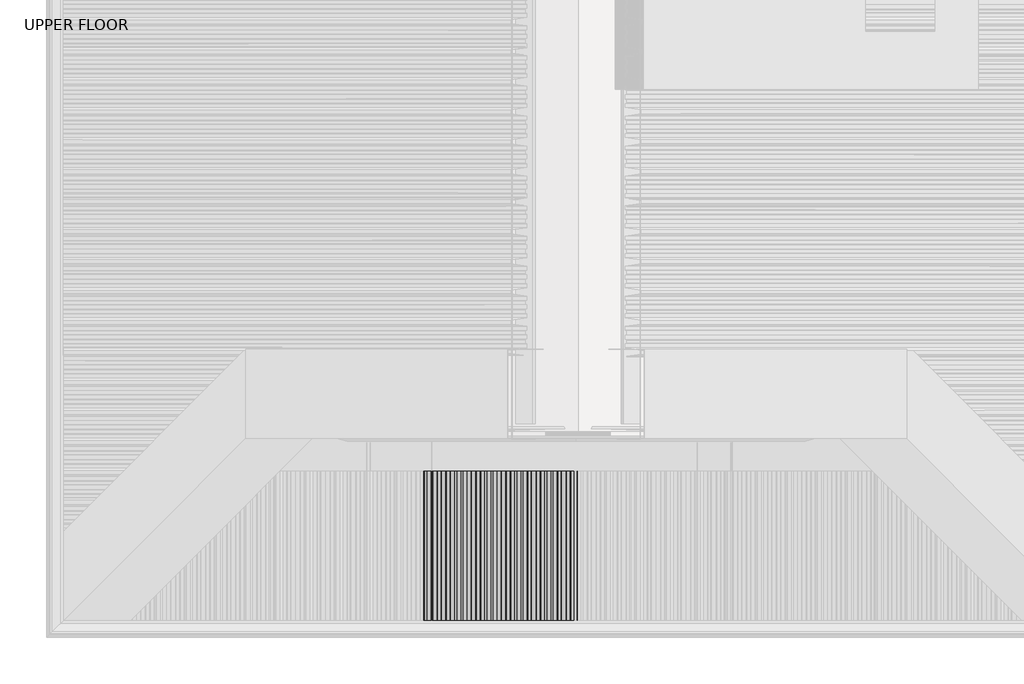
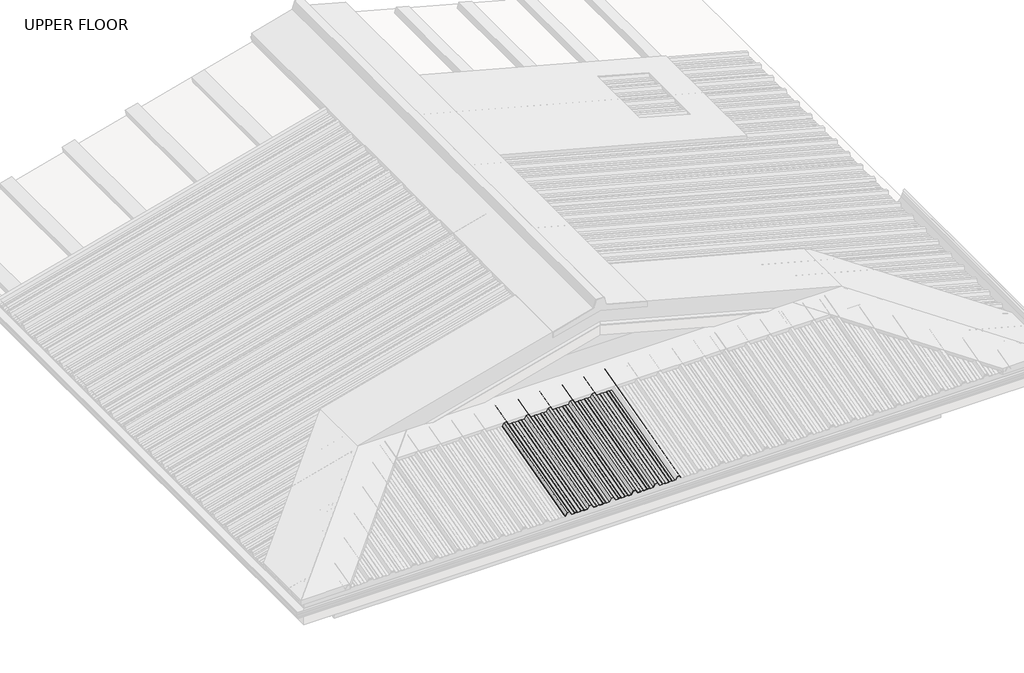
# One storey, part 6 of 21: 1 beam.
"""IFC4 building model written with IfcOpenShell, lengths in millimetres."""

from ifc_helpers import new_model, si_unit, frame, origin, place, context, project, spatial, circle_curve, ellipse_curve, element, save
from ifc_brep_helpers import plane_surface, cylinder_surface, advanced_brep

model = new_model("IFC4")

# Units and contexts
model_context = context("Model", 3, world=origin())
ifc_project = project(units=[si_unit("LENGTHUNIT", "METRE", prefix="MILLI")], contexts=[model_context])

# Site, building, storey
site = spatial("IfcSite", under=ifc_project)
building = spatial("IfcBuilding", under=site)
storey = spatial("IfcBuildingStorey", under=building, Name="UPPER FLOOR", Elevation=2700.0)

# Beam
placement = place(None, origin())
element("IfcBeam", 1, at=placement, inside=storey, context=model_context, shape_type="AdvancedBrep", body=[
    advanced_brep(
    [(1972.6640548, -3759.2956776, 3511.9124823), (1968.5374528, -3759.8133157, 3513.844334), (1950.9306177, -3759.8133157, 3513.844334), (1947.6664536, -3759.2956776, 3511.9124823), (1925.3794454, -3759.2956776, 3511.9124823), (1922.3379869, -3759.8133157, 3513.844334), (1906.6721831, -3759.8133157, 3513.844334), (1903.6285412, -3759.2956776, 3511.9124823), (1883.3061027, -3759.2956776, 3511.9124823), (1871.3207469, -3764.7308776, 3532.1969247), (1852.3195276, -3764.7308776, 3532.1969247), (1840.3061027, -3759.2956776, 3511.9124823), (1820.6640548, -3759.2956776, 3511.9124823), (1816.5374528, -3759.8133157, 3513.844334), (1798.9306177, -3759.8133157, 3513.844334), (1795.6664536, -3759.2956776, 3511.9124823), (1773.3794454, -3759.2956776, 3511.9124823), (1770.3379869, -3759.8133157, 3513.844334), (1754.6721831, -3759.8133157, 3513.844334), (1751.6285412, -3759.2956776, 3511.9124823), (1731.3061027, -3759.2956776, 3511.9124823), (1719.3207469, -3764.7308776, 3532.1969247), (1700.3195276, -3764.7308776, 3532.1969247), (1688.3061027, -3759.2956776, 3511.9124823), (1668.6640548, -3759.2956776, 3511.9124823), (1664.5374528, -3759.8133157, 3513.844334), (1646.9306177, -3759.8133157, 3513.844334), (1643.6664536, -3759.2956776, 3511.9124823), (1621.3794454, -3759.2956776, 3511.9124823), (1618.3379869, -3759.8133157, 3513.844334), (1602.6721831, -3759.8133157, 3513.844334), (1599.6285412, -3759.2956776, 3511.9124823), (1579.3061027, -3759.2956776, 3511.9124823), (1567.3207469, -3764.7308776, 3532.1969247), (1548.3195276, -3764.7308776, 3532.1969247), (1536.3061027, -3759.2956776, 3511.9124823), (1516.6640548, -3759.2956776, 3511.9124823), (1512.5374528, -3759.8133157, 3513.844334), (1494.9306177, -3759.8133157, 3513.844334), (1491.6664536, -3759.2956776, 3511.9124823), (1469.3794454, -3759.2956776, 3511.9124823), (1466.3379869, -3759.8133157, 3513.844334), (1450.6721831, -3759.8133157, 3513.844334), (1447.6285412, -3759.2956776, 3511.9124823), (1427.3061027, -3759.2956776, 3511.9124823), (1415.3207469, -3764.7308776, 3532.1969247), (1396.3195276, -3764.7308776, 3532.1969247), (1384.3061027, -3759.2956776, 3511.9124823), (1364.6640548, -3759.2956776, 3511.9124823), (1360.5374528, -3759.8133157, 3513.844334), (1342.9306177, -3759.8133157, 3513.844334), (1339.6664536, -3759.2956776, 3511.9124823), (1317.3794454, -3759.2956776, 3511.9124823), (1314.3379869, -3759.8133157, 3513.844334), (1298.6721831, -3759.8133157, 3513.844334), (1295.6285412, -3759.2956776, 3511.9124823), (1275.3061027, -3759.2956776, 3511.9124823), (1263.3207469, -3764.7308776, 3532.1969247), (1244.3195276, -3764.7308776, 3532.1969247), (1233.4502384, -3759.8133157, 3513.844334), (1230.0147087, -3759.8133157, 3513.844334), (1230.0147087, -3760.0721348, 3514.8102598), (1232.9508481, -3760.0721348, 3514.8102598), (1243.8201372, -3764.9896966, 3533.1628505), (1263.8201372, -3764.9896966, 3533.1628505), (1275.8054931, -3759.5544967, 3512.8784082), (1295.3293902, -3759.5544967, 3512.8784082), (1298.3730321, -3760.0721348, 3514.8102598), (1314.6373174, -3760.0721348, 3514.8102598), (1317.6787759, -3759.5544967, 3512.8784082), (1339.3844584, -3759.5544967, 3512.8784082), (1342.6486224, -3760.0721348, 3514.8102598), (1360.7670127, -3760.0721348, 3514.8102598), (1364.8936147, -3759.5544967, 3512.8784082), (1383.8067123, -3759.5544967, 3512.8784082), (1395.8201372, -3764.9896966, 3533.1628505), (1415.8201372, -3764.9896966, 3533.1628505), (1427.8054931, -3759.5544967, 3512.8784082), (1447.3293902, -3759.5544967, 3512.8784082), (1450.3730321, -3760.0721348, 3514.8102598), (1466.6373174, -3760.0721348, 3514.8102598), (1469.6787759, -3759.5544967, 3512.8784082), (1491.3844584, -3759.5544967, 3512.8784082), (1494.6486224, -3760.0721348, 3514.8102598), (1512.7670127, -3760.0721348, 3514.8102598), (1516.8936147, -3759.5544967, 3512.8784082), (1535.8067123, -3759.5544967, 3512.8784082), (1547.8201372, -3764.9896966, 3533.1628505), (1567.8201372, -3764.9896966, 3533.1628505), (1579.8054931, -3759.5544967, 3512.8784082), (1599.3293902, -3759.5544967, 3512.8784082), (1602.3730321, -3760.0721348, 3514.8102598), (1618.6373174, -3760.0721348, 3514.8102598), (1621.6787759, -3759.5544967, 3512.8784082), (1643.3844584, -3759.5544967, 3512.8784082), (1646.6486224, -3760.0721348, 3514.8102598), (1664.7670127, -3760.0721348, 3514.8102598), (1668.8936147, -3759.5544967, 3512.8784082), (1687.8067123, -3759.5544967, 3512.8784082), (1699.8201372, -3764.9896966, 3533.1628505), (1719.8201372, -3764.9896966, 3533.1628505), (1731.8054931, -3759.5544967, 3512.8784082), (1751.3293902, -3759.5544967, 3512.8784082), (1754.3730321, -3760.0721348, 3514.8102598), (1770.6373174, -3760.0721348, 3514.8102598), (1773.6787759, -3759.5544967, 3512.8784082), (1795.3844584, -3759.5544967, 3512.8784082), (1798.6486224, -3760.0721348, 3514.8102598), (1816.7670127, -3760.0721348, 3514.8102598), (1820.8936147, -3759.5544967, 3512.8784082), (1839.8067123, -3759.5544967, 3512.8784082), (1851.8201372, -3764.9896966, 3533.1628505), (1871.8201372, -3764.9896966, 3533.1628505), (1883.8054931, -3759.5544967, 3512.8784082), (1903.3293902, -3759.5544967, 3512.8784082), (1906.3730321, -3760.0721348, 3514.8102598), (1922.6373174, -3760.0721348, 3514.8102598), (1925.6787759, -3759.5544967, 3512.8784082), (1947.3844584, -3759.5544967, 3512.8784082), (1950.6486224, -3760.0721348, 3514.8102598), (1968.7670127, -3760.0721348, 3514.8102598), (1972.8936147, -3759.5544967, 3512.8784082), (1994.1108492, -3759.5544967, 3512.8784082), (2004.9801384, -3764.4720586, 3531.2309989), (2022.6587891, -3764.4720586, 3531.2309989), (2030.651034, -3760.8476815, 3517.7046396), (2029.8438422, -3760.7284463, 3517.2596477), (2022.1593987, -3764.2132395, 3530.265073), (2005.4795288, -3764.2132395, 3530.265073), (1994.6102396, -3759.2956776, 3511.9124823), (1972.6640548, -4660.4975954, 3270.4361563), (1968.5374528, -4660.4975954, 3272.5067086), (1950.9306177, -4660.4975954, 3272.5067086), (1947.6664536, -4660.4975954, 3270.4361563), (1925.3794454, -4660.4975954, 3270.4361563), (1922.3379869, -4660.4975954, 3272.5067086), (1906.6721831, -4660.4975954, 3272.5067086), (1903.6285412, -4660.4975954, 3270.4361563), (1883.3061027, -4660.4975954, 3270.4361563), (1871.3207469, -4660.4975954, 3292.176956), (1852.3195276, -4660.4975954, 3292.176956), (1840.3061027, -4660.4975954, 3270.4361563), (1820.6640548, -4660.4975954, 3270.4361563), (1816.5374528, -4660.4975954, 3272.5067086), (1798.9306177, -4660.4975954, 3272.5067086), (1795.6664536, -4660.4975954, 3270.4361563), (1773.3794454, -4660.4975954, 3270.4361563), (1770.3379869, -4660.4975954, 3272.5067086), (1754.6721831, -4660.4975954, 3272.5067086), (1751.6285412, -4660.4975954, 3270.4361563), (1731.3061027, -4660.4975954, 3270.4361563), (1719.3207469, -4660.4975954, 3292.176956), (1700.3195276, -4660.4975954, 3292.176956), (1688.3061027, -4660.4975954, 3270.4361563), (1668.6640548, -4660.4975954, 3270.4361563), (1664.5374528, -4660.4975954, 3272.5067086), (1646.9306177, -4660.4975954, 3272.5067086), (1643.6664536, -4660.4975954, 3270.4361563), (1621.3794454, -4660.4975954, 3270.4361563), (1618.3379869, -4660.4975954, 3272.5067086), (1602.6721831, -4660.4975954, 3272.5067086), (1599.6285412, -4660.4975954, 3270.4361563), (1579.3061027, -4660.4975954, 3270.4361563), (1567.3207469, -4660.4975954, 3292.176956), (1548.3195276, -4660.4975954, 3292.176956), (1536.3061027, -4660.4975954, 3270.4361563), (1516.6640548, -4660.4975954, 3270.4361563), (1512.5374528, -4660.4975954, 3272.5067086), (1494.9306177, -4660.4975954, 3272.5067086), (1491.6664536, -4660.4975954, 3270.4361563), (1469.3794454, -4660.4975954, 3270.4361563), (1466.3379869, -4660.4975954, 3272.5067086), (1450.6721831, -4660.4975954, 3272.5067086), (1447.6285412, -4660.4975954, 3270.4361563), (1427.3061027, -4660.4975954, 3270.4361563), (1415.3207469, -4660.4975954, 3292.176956), (1396.3195276, -4660.4975954, 3292.176956), (1384.3061027, -4660.4975954, 3270.4361563), (1364.6640548, -4660.4975954, 3270.4361563), (1360.5374528, -4660.4975954, 3272.5067086), (1342.9306177, -4660.4975954, 3272.5067086), (1339.6664536, -4660.4975954, 3270.4361563), (1317.3794454, -4660.4975954, 3270.4361563), (1314.3379869, -4660.4975954, 3272.5067086), (1298.6721831, -4660.4975954, 3272.5067086), (1295.6285412, -4660.4975954, 3270.4361563), (1275.3061027, -4660.4975954, 3270.4361563), (1263.3207469, -4660.4975954, 3292.176956), (1244.3195276, -4660.4975954, 3292.176956), (1233.4502384, -4660.4975954, 3272.5067086), (1230.0147087, -4660.4975954, 3272.5067086), (1230.0147087, -4660.4975954, 3273.5419848), (1232.9508481, -4660.4975954, 3273.5419848), (1243.8201372, -4660.4975954, 3293.2122322), (1263.8201372, -4660.4975954, 3293.2122322), (1275.8054931, -4660.4975954, 3271.4714324), (1295.3293902, -4660.4975954, 3271.4714324), (1298.3730321, -4660.4975954, 3273.5419848), (1314.6373174, -4660.4975954, 3273.5419848), (1317.6787759, -4660.4975954, 3271.4714324), (1339.3844584, -4660.4975954, 3271.4714324), (1342.6486224, -4660.4975954, 3273.5419848), (1360.7670127, -4660.4975954, 3273.5419848), (1364.8936147, -4660.4975954, 3271.4714324), (1383.8067123, -4660.4975954, 3271.4714324), (1395.8201372, -4660.4975954, 3293.2122322), (1415.8201372, -4660.4975954, 3293.2122322), (1427.8054931, -4660.4975954, 3271.4714324), (1447.3293902, -4660.4975954, 3271.4714324), (1450.3730321, -4660.4975954, 3273.5419848), (1466.6373174, -4660.4975954, 3273.5419848), (1469.6787759, -4660.4975954, 3271.4714324), (1491.3844584, -4660.4975954, 3271.4714324), (1494.6486224, -4660.4975954, 3273.5419848), (1512.7670127, -4660.4975954, 3273.5419848), (1516.8936147, -4660.4975954, 3271.4714324), (1535.8067123, -4660.4975954, 3271.4714324), (1547.8201372, -4660.4975954, 3293.2122322), (1567.8201372, -4660.4975954, 3293.2122322), (1579.8054931, -4660.4975954, 3271.4714324), (1599.3293902, -4660.4975954, 3271.4714324), (1602.3730321, -4660.4975954, 3273.5419848), (1618.6373174, -4660.4975954, 3273.5419848), (1621.6787759, -4660.4975954, 3271.4714324), (1643.3844584, -4660.4975954, 3271.4714324), (1646.6486224, -4660.4975954, 3273.5419848), (1664.7670127, -4660.4975954, 3273.5419848), (1668.8936147, -4660.4975954, 3271.4714324), (1687.8067123, -4660.4975954, 3271.4714324), (1699.8201372, -4660.4975954, 3293.2122322), (1719.8201372, -4660.4975954, 3293.2122322), (1731.8054931, -4660.4975954, 3271.4714324), (1751.3293902, -4660.4975954, 3271.4714324), (1754.3730321, -4660.4975954, 3273.5419848), (1770.6373174, -4660.4975954, 3273.5419848), (1773.6787759, -4660.4975954, 3271.4714324), (1795.3844584, -4660.4975954, 3271.4714324), (1798.6486224, -4660.4975954, 3273.5419848), (1816.7670127, -4660.4975954, 3273.5419848), (1820.8936147, -4660.4975954, 3271.4714324), (1839.8067123, -4660.4975954, 3271.4714324), (1851.8201372, -4660.4975954, 3293.2122322), (1871.8201372, -4660.4975954, 3293.2122322), (1883.8054931, -4660.4975954, 3271.4714324), (1903.3293902, -4660.4975954, 3271.4714324), (1906.3730321, -4660.4975954, 3273.5419848), (1922.6373174, -4660.4975954, 3273.5419848), (1925.6787759, -4660.4975954, 3271.4714324), (1947.3844584, -4660.4975954, 3271.4714324), (1950.6486224, -4660.4975954, 3273.5419848), (1968.7670127, -4660.4975954, 3273.5419848), (1972.8936147, -4660.4975954, 3271.4714324), (1994.1108492, -4660.4975954, 3271.4714324), (2004.9801384, -4660.4975954, 3291.1416799), (2022.6587891, -4660.4975954, 3291.1416799), (2030.651034, -4660.4975954, 3276.6441717), (2029.8438422, -4660.4975954, 3276.1672308), (2022.1593987, -4660.4975954, 3290.1064037), (2005.4795288, -4660.4975954, 3290.1064037), (1994.6102396, -4660.4975954, 3270.4361563)],
    [
        (0, 1),
        (1, 2),
        (2, 3),
        (3, 4),
        (4, 5),
        (5, 6),
        (6, 7),
        (7, 8),
        (8, 9),
        (9, 10),
        (10, 11),
        (11, 12),
        (12, 13),
        (13, 14),
        (14, 15),
        (15, 16),
        (16, 17),
        (17, 18),
        (18, 19),
        (19, 20),
        (20, 21),
        (21, 22),
        (22, 23),
        (23, 24),
        (24, 25),
        (25, 26),
        (26, 27),
        (27, 28),
        (28, 29),
        (29, 30),
        (30, 31),
        (31, 32),
        (32, 33),
        (33, 34),
        (34, 35),
        (35, 36),
        (36, 37),
        (37, 38),
        (38, 39),
        (39, 40),
        (40, 41),
        (41, 42),
        (42, 43),
        (43, 44),
        (44, 45),
        (45, 46),
        (46, 47),
        (47, 48),
        (48, 49),
        (49, 50),
        (50, 51),
        (51, 52),
        (52, 53),
        (53, 54),
        (54, 55),
        (55, 56),
        (56, 57),
        (57, 58),
        (58, 59),
        (59, 60),
        (60, 61, circle_curve(frame((1230.0147087, -3759.9427253, 3514.3272969), z_axis=(0.0, 0.9659258262890683, 0.2588190451025206), x_axis=(-1.0000000000000002, 0.0, 0.0)), 0.5)),
        (61, 62),
        (62, 63),
        (63, 64),
        (64, 65),
        (65, 66),
        (66, 67),
        (67, 68),
        (68, 69),
        (69, 70),
        (70, 71),
        (71, 72),
        (72, 73),
        (73, 74),
        (74, 75),
        (75, 76),
        (76, 77),
        (77, 78),
        (78, 79),
        (79, 80),
        (80, 81),
        (81, 82),
        (82, 83),
        (83, 84),
        (84, 85),
        (85, 86),
        (86, 87),
        (87, 88),
        (88, 89),
        (89, 90),
        (90, 91),
        (91, 92),
        (92, 93),
        (93, 94),
        (94, 95),
        (95, 96),
        (96, 97),
        (97, 98),
        (98, 99),
        (99, 100),
        (100, 101),
        (101, 102),
        (102, 103),
        (103, 104),
        (104, 105),
        (105, 106),
        (106, 107),
        (107, 108),
        (108, 109),
        (109, 110),
        (110, 111),
        (111, 112),
        (112, 113),
        (113, 114),
        (114, 115),
        (115, 116),
        (116, 117),
        (117, 118),
        (118, 119),
        (119, 120),
        (120, 121),
        (121, 122),
        (122, 123),
        (123, 124),
        (124, 125),
        (125, 126, circle_curve(frame((2030.2474381, -3760.7880639, 3517.4821437), z_axis=(0.0, 0.9659258262890683, 0.2588190451025206), x_axis=(-1.0000000000000002, 0.0, 0.0)), 0.4647024)),
        (126, 127),
        (127, 128),
        (128, 129),
        (129, 0),
        (0, 130),
        (130, 131),
        (131, 1),
        (131, 132),
        (132, 2),
        (132, 133),
        (133, 3),
        (133, 134),
        (134, 4),
        (134, 135),
        (135, 5),
        (135, 136),
        (136, 6),
        (136, 137),
        (137, 7),
        (137, 138),
        (138, 8),
        (138, 139),
        (139, 9),
        (139, 140),
        (140, 10),
        (140, 141),
        (141, 11),
        (141, 142),
        (142, 12),
        (142, 143),
        (143, 13),
        (143, 144),
        (144, 14),
        (144, 145),
        (145, 15),
        (145, 146),
        (146, 16),
        (146, 147),
        (147, 17),
        (147, 148),
        (148, 18),
        (148, 149),
        (149, 19),
        (149, 150),
        (150, 20),
        (150, 151),
        (151, 21),
        (151, 152),
        (152, 22),
        (152, 153),
        (153, 23),
        (153, 154),
        (154, 24),
        (154, 155),
        (155, 25),
        (155, 156),
        (156, 26),
        (156, 157),
        (157, 27),
        (157, 158),
        (158, 28),
        (158, 159),
        (159, 29),
        (159, 160),
        (160, 30),
        (160, 161),
        (161, 31),
        (161, 162),
        (162, 32),
        (162, 163),
        (163, 33),
        (163, 164),
        (164, 34),
        (164, 165),
        (165, 35),
        (165, 166),
        (166, 36),
        (166, 167),
        (167, 37),
        (167, 168),
        (168, 38),
        (168, 169),
        (169, 39),
        (169, 170),
        (170, 40),
        (170, 171),
        (171, 41),
        (171, 172),
        (172, 42),
        (172, 173),
        (173, 43),
        (173, 174),
        (174, 44),
        (174, 175),
        (175, 45),
        (175, 176),
        (176, 46),
        (176, 177),
        (177, 47),
        (177, 178),
        (178, 48),
        (178, 179),
        (179, 49),
        (179, 180),
        (180, 50),
        (180, 181),
        (181, 51),
        (181, 182),
        (182, 52),
        (182, 183),
        (183, 53),
        (183, 184),
        (184, 54),
        (184, 185),
        (185, 55),
        (185, 186),
        (186, 56),
        (186, 187),
        (187, 57),
        (187, 188),
        (188, 58),
        (188, 189),
        (189, 59),
        (189, 190),
        (190, 60),
        (190, 191, ellipse_curve(frame((1230.0147087, -4660.4975954, 3273.0243467), z_axis=(0.0, 1.0, 0.0), x_axis=(0.0, 0.0, 1.0)), 0.5176381, 0.5)),
        (191, 61),
        (191, 192),
        (192, 62),
        (192, 193),
        (193, 63),
        (193, 194),
        (194, 64),
        (194, 195),
        (195, 65),
        (195, 196),
        (196, 66),
        (196, 197),
        (197, 67),
        (197, 198),
        (198, 68),
        (198, 199),
        (199, 69),
        (199, 200),
        (200, 70),
        (200, 201),
        (201, 71),
        (201, 202),
        (202, 72),
        (202, 203),
        (203, 73),
        (203, 204),
        (204, 74),
        (204, 205),
        (205, 75),
        (205, 206),
        (206, 76),
        (206, 207),
        (207, 77),
        (207, 208),
        (208, 78),
        (208, 209),
        (209, 79),
        (209, 210),
        (210, 80),
        (210, 211),
        (211, 81),
        (211, 212),
        (212, 82),
        (212, 213),
        (213, 83),
        (213, 214),
        (214, 84),
        (214, 215),
        (215, 85),
        (215, 216),
        (216, 86),
        (216, 217),
        (217, 87),
        (217, 218),
        (218, 88),
        (218, 219),
        (219, 89),
        (219, 220),
        (220, 90),
        (220, 221),
        (221, 91),
        (221, 222),
        (222, 92),
        (222, 223),
        (223, 93),
        (223, 224),
        (224, 94),
        (224, 225),
        (225, 95),
        (225, 226),
        (226, 96),
        (226, 227),
        (227, 97),
        (227, 228),
        (228, 98),
        (228, 229),
        (229, 99),
        (229, 230),
        (230, 100),
        (230, 231),
        (231, 101),
        (231, 232),
        (232, 102),
        (232, 233),
        (233, 103),
        (233, 234),
        (234, 104),
        (234, 235),
        (235, 105),
        (235, 236),
        (236, 106),
        (236, 237),
        (237, 107),
        (237, 238),
        (238, 108),
        (238, 239),
        (239, 109),
        (239, 240),
        (240, 110),
        (240, 241),
        (241, 111),
        (241, 242),
        (242, 112),
        (242, 243),
        (243, 113),
        (243, 244),
        (244, 114),
        (244, 245),
        (245, 115),
        (245, 246),
        (246, 116),
        (246, 247),
        (247, 117),
        (247, 248),
        (248, 118),
        (248, 249),
        (249, 119),
        (249, 250),
        (250, 120),
        (250, 251),
        (251, 121),
        (251, 252),
        (252, 122),
        (252, 253),
        (253, 123),
        (253, 254),
        (254, 124),
        (254, 255),
        (255, 125),
        (255, 256, ellipse_curve(frame((2030.2474381, -4660.4975954, 3276.4057013), z_axis=(0.0, 1.0, 0.0), x_axis=(0.0, 0.0, 1.0)), 0.4810953, 0.4647024)),
        (256, 126),
        (256, 257),
        (257, 127),
        (257, 258),
        (258, 128),
        (258, 259),
        (259, 129),
        (259, 130),
    ],
    [
        plane_surface(frame((1972.6640548, -3759.2956776, 3511.9124823), z_axis=(0.0, 0.9659258262890684, 0.2588190451025203), x_axis=(-0.8998805887467904, -0.11288039666962545, 0.42127537554957795))),
        plane_surface(frame((1972.6640548, -3759.2956776, 3511.9124823), z_axis=(-0.43613636169978987, 0.23290623468573907, -0.8692179012467366), x_axis=(0.0, -0.9659258262890683, -0.2588190451025206))),
        plane_surface(frame((1968.5374528, -3759.8133157, 3513.844334), z_axis=(0.0, 0.2588190451025206, -0.9659258262890683), x_axis=(0.0, -0.9659258262890683, -0.2588190451025206))),
        plane_surface(frame((1950.9306177, -3759.8133157, 3513.844334), z_axis=(0.5224449573492955, 0.2206880149246298, -0.8236188843202413), x_axis=(0.0, -0.9659258262890683, -0.2588190451025206))),
        plane_surface(frame((1947.6664536, -3759.2956776, 3511.9124823), z_axis=(0.0, 0.2588190451025206, -0.9659258262890683), x_axis=(0.0, -0.9659258262890683, -0.2588190451025206))),
        plane_surface(frame((1925.3794454, -3759.2956776, 3511.9124823), z_axis=(-0.5494325148836754, 0.2162531724200961, -0.8070678267697482), x_axis=(0.0, -0.9659258262890683, -0.2588190451025206))),
        plane_surface(frame((1922.3379869, -3759.8133157, 3513.844334), z_axis=(0.0, 0.2588190451025206, -0.9659258262890683), x_axis=(0.0, -0.9659258262890683, -0.2588190451025206))),
        plane_surface(frame((1906.6721831, -3759.8133157, 3513.844334), z_axis=(0.5491572662555969, 0.21630000128988544, -0.8072425944910705), x_axis=(0.0, -0.9659258262890683, -0.2588190451025206))),
        plane_surface(frame((1903.6285412, -3759.2956776, 3511.9124823), z_axis=(0.0, 0.2588190451025206, -0.9659258262890683), x_axis=(0.0, -0.9659258262890683, -0.2588190451025206))),
        plane_surface(frame((1883.3061027, -3759.2956776, 3511.9124823), z_axis=(-0.8685039140295309, 0.12829202185299526, -0.47879234376110924), x_axis=(0.0, -0.9659258262890683, -0.2588190451025206))),
        plane_surface(frame((1871.3207469, -3764.7308776, 3532.1969247), z_axis=(0.0, 0.2588190451025206, -0.9659258262890683), x_axis=(0.0, -0.9659258262890683, -0.2588190451025206))),
        plane_surface(frame((1852.3195276, -3764.7308776, 3532.1969247), z_axis=(0.8680040081860072, 0.12851845745027873, -0.47963741291482553), x_axis=(0.0, -0.9659258262890683, -0.2588190451025206))),
        plane_surface(frame((1840.3061027, -3759.2956776, 3511.9124823), z_axis=(0.0, 0.2588190451025206, -0.9659258262890683), x_axis=(0.0, -0.9659258262890683, -0.2588190451025206))),
        plane_surface(frame((1820.6640548, -3759.2956776, 3511.9124823), z_axis=(-0.43613636169978987, 0.23290623468573907, -0.8692179012467366), x_axis=(0.0, -0.9659258262890683, -0.2588190451025206))),
        plane_surface(frame((1816.5374528, -3759.8133157, 3513.844334), z_axis=(0.0, 0.2588190451025206, -0.9659258262890683), x_axis=(0.0, -0.9659258262890683, -0.2588190451025206))),
        plane_surface(frame((1798.9306177, -3759.8133157, 3513.844334), z_axis=(0.5224449573492995, 0.22068801492462917, -0.823618884320239), x_axis=(0.0, -0.9659258262890683, -0.2588190451025206))),
        plane_surface(frame((1795.6664536, -3759.2956776, 3511.9124823), z_axis=(0.0, 0.2588190451025206, -0.9659258262890683), x_axis=(0.0, -0.9659258262890683, -0.2588190451025206))),
        plane_surface(frame((1773.3794454, -3759.2956776, 3511.9124823), z_axis=(-0.5494325148836772, 0.21625317242009579, -0.807067826769747), x_axis=(0.0, -0.9659258262890683, -0.2588190451025206))),
        plane_surface(frame((1770.3379869, -3759.8133157, 3513.844334), z_axis=(0.0, 0.2588190451025206, -0.9659258262890683), x_axis=(0.0, -0.9659258262890683, -0.2588190451025206))),
        plane_surface(frame((1754.6721831, -3759.8133157, 3513.844334), z_axis=(0.5491572662555921, 0.21630000128988627, -0.8072425944910736), x_axis=(0.0, -0.9659258262890683, -0.2588190451025206))),
        plane_surface(frame((1751.6285412, -3759.2956776, 3511.9124823), z_axis=(0.0, 0.2588190451025206, -0.9659258262890683), x_axis=(0.0, -0.9659258262890683, -0.2588190451025206))),
        plane_surface(frame((1731.3061027, -3759.2956776, 3511.9124823), z_axis=(-0.8685039140295301, 0.12829202185299549, -0.4787923437611103), x_axis=(0.0, -0.9659258262890683, -0.2588190451025206))),
        plane_surface(frame((1719.3207469, -3764.7308776, 3532.1969247), z_axis=(0.0, 0.2588190451025206, -0.9659258262890683), x_axis=(0.0, -0.9659258262890683, -0.2588190451025206))),
        plane_surface(frame((1700.3195276, -3764.7308776, 3532.1969247), z_axis=(0.8680040081860078, 0.12851845745027846, -0.4796374129148245), x_axis=(0.0, -0.9659258262890683, -0.2588190451025206))),
        plane_surface(frame((1688.3061027, -3759.2956776, 3511.9124823), z_axis=(0.0, 0.2588190451025206, -0.9659258262890683), x_axis=(0.0, -0.9659258262890683, -0.2588190451025206))),
        plane_surface(frame((1668.6640548, -3759.2956776, 3511.9124823), z_axis=(-0.436136361699787, 0.23290623468573945, -0.8692179012467379), x_axis=(0.0, -0.9659258262890683, -0.2588190451025206))),
        plane_surface(frame((1664.5374528, -3759.8133157, 3513.844334), z_axis=(0.0, 0.2588190451025206, -0.9659258262890683), x_axis=(0.0, -0.9659258262890683, -0.2588190451025206))),
        plane_surface(frame((1646.9306177, -3759.8133157, 3513.844334), z_axis=(0.522444957349302, 0.2206880149246288, -0.8236188843202376), x_axis=(0.0, -0.9659258262890683, -0.2588190451025206))),
        plane_surface(frame((1643.6664536, -3759.2956776, 3511.9124823), z_axis=(0.0, 0.2588190451025206, -0.9659258262890683), x_axis=(0.0, -0.9659258262890683, -0.2588190451025206))),
        plane_surface(frame((1621.3794454, -3759.2956776, 3511.9124823), z_axis=(-0.5494325148836601, 0.21625317242009867, -0.8070678267697579), x_axis=(0.0, -0.9659258262890683, -0.2588190451025206))),
        plane_surface(frame((1618.3379869, -3759.8133157, 3513.844334), z_axis=(0.0, 0.2588190451025206, -0.9659258262890683), x_axis=(0.0, -0.9659258262890683, -0.2588190451025206))),
        plane_surface(frame((1602.6721831, -3759.8133157, 3513.844334), z_axis=(0.5491572662555921, 0.21630000128988627, -0.8072425944910736), x_axis=(0.0, -0.9659258262890683, -0.2588190451025206))),
        plane_surface(frame((1599.6285412, -3759.2956776, 3511.9124823), z_axis=(0.0, 0.2588190451025206, -0.9659258262890683), x_axis=(0.0, -0.9659258262890683, -0.2588190451025206))),
        plane_surface(frame((1579.3061027, -3759.2956776, 3511.9124823), z_axis=(-0.8685039140295309, 0.12829202185299524, -0.47879234376110924), x_axis=(0.0, -0.9659258262890683, -0.2588190451025206))),
        plane_surface(frame((1567.3207469, -3764.7308776, 3532.1969247), z_axis=(0.0, 0.2588190451025206, -0.9659258262890683), x_axis=(0.0, -0.9659258262890683, -0.2588190451025206))),
        plane_surface(frame((1548.3195276, -3764.7308776, 3532.1969247), z_axis=(0.8680040081860078, 0.12851845745027846, -0.4796374129148245), x_axis=(0.0, -0.9659258262890683, -0.2588190451025206))),
        plane_surface(frame((1536.3061027, -3759.2956776, 3511.9124823), z_axis=(0.0, 0.2588190451025206, -0.9659258262890683), x_axis=(0.0, -0.9659258262890683, -0.2588190451025206))),
        plane_surface(frame((1516.6640548, -3759.2956776, 3511.9124823), z_axis=(-0.43613636169978987, 0.23290623468573907, -0.8692179012467366), x_axis=(0.0, -0.9659258262890683, -0.2588190451025206))),
        plane_surface(frame((1512.5374528, -3759.8133157, 3513.844334), z_axis=(0.0, 0.2588190451025206, -0.9659258262890683), x_axis=(0.0, -0.9659258262890683, -0.2588190451025206))),
        plane_surface(frame((1494.9306177, -3759.8133157, 3513.844334), z_axis=(0.5224449573492986, 0.22068801492462928, -0.8236188843202394), x_axis=(0.0, -0.9659258262890683, -0.2588190451025206))),
        plane_surface(frame((1491.6664536, -3759.2956776, 3511.9124823), z_axis=(0.0, 0.2588190451025206, -0.9659258262890683), x_axis=(0.0, -0.9659258262890683, -0.2588190451025206))),
        plane_surface(frame((1469.3794454, -3759.2956776, 3511.9124823), z_axis=(-0.5494325148836686, 0.21625317242009726, -0.8070678267697524), x_axis=(0.0, -0.9659258262890683, -0.2588190451025206))),
        plane_surface(frame((1466.3379869, -3759.8133157, 3513.844334), z_axis=(0.0, 0.2588190451025206, -0.9659258262890683), x_axis=(0.0, -0.9659258262890683, -0.2588190451025206))),
        plane_surface(frame((1450.6721831, -3759.8133157, 3513.844334), z_axis=(0.5491572662555904, 0.21630000128988655, -0.8072425944910747), x_axis=(0.0, -0.9659258262890683, -0.2588190451025206))),
        plane_surface(frame((1447.6285412, -3759.2956776, 3511.9124823), z_axis=(0.0, 0.2588190451025206, -0.9659258262890683), x_axis=(0.0, -0.9659258262890683, -0.2588190451025206))),
        plane_surface(frame((1427.3061027, -3759.2956776, 3511.9124823), z_axis=(-0.8685039140295304, 0.12829202185299524, -0.4787923437611093), x_axis=(0.0, -0.9659258262890683, -0.2588190451025206))),
        plane_surface(frame((1415.3207469, -3764.7308776, 3532.1969247), z_axis=(0.0, 0.2588190451025206, -0.9659258262890683), x_axis=(0.0, -0.9659258262890683, -0.2588190451025206))),
        plane_surface(frame((1396.3195276, -3764.7308776, 3532.1969247), z_axis=(0.8680040081860078, 0.12851845745027823, -0.47963741291482453), x_axis=(0.0, -0.9659258262890683, -0.2588190451025205))),
        plane_surface(frame((1384.3061027, -3759.2956776, 3511.9124823), z_axis=(0.0, 0.2588190451025206, -0.9659258262890683), x_axis=(0.0, -0.9659258262890683, -0.2588190451025206))),
        plane_surface(frame((1364.6640548, -3759.2956776, 3511.9124823), z_axis=(-0.4361363616997928, 0.23290623468573884, -0.8692179012467353), x_axis=(0.0, -0.9659258262890683, -0.25881904510252063))),
        plane_surface(frame((1360.5374528, -3759.8133157, 3513.844334), z_axis=(0.0, 0.2588190451025206, -0.9659258262890683), x_axis=(0.0, -0.9659258262890683, -0.2588190451025206))),
        plane_surface(frame((1342.9306177, -3759.8133157, 3513.844334), z_axis=(0.5224449573492986, 0.22068801492462925, -0.8236188843202394), x_axis=(0.0, -0.9659258262890683, -0.2588190451025206))),
        plane_surface(frame((1339.6664536, -3759.2956776, 3511.9124823), z_axis=(0.0, 0.2588190451025206, -0.9659258262890683), x_axis=(0.0, -0.9659258262890683, -0.2588190451025206))),
        plane_surface(frame((1317.3794454, -3759.2956776, 3511.9124823), z_axis=(-0.5494325148836804, 0.21625317242009529, -0.807067826769745), x_axis=(0.0, -0.9659258262890683, -0.2588190451025206))),
        plane_surface(frame((1314.3379869, -3759.8133157, 3513.844334), z_axis=(0.0, 0.2588190451025206, -0.9659258262890683), x_axis=(0.0, -0.9659258262890683, -0.2588190451025206))),
        plane_surface(frame((1298.6721831, -3759.8133157, 3513.844334), z_axis=(0.5491572662555952, 0.21630000128988566, -0.8072425944910716), x_axis=(0.0, -0.9659258262890683, -0.2588190451025206))),
        plane_surface(frame((1295.6285412, -3759.2956776, 3511.9124823), z_axis=(0.0, 0.2588190451025206, -0.9659258262890683), x_axis=(0.0, -0.9659258262890683, -0.2588190451025206))),
        plane_surface(frame((1275.3061027, -3759.2956776, 3511.9124823), z_axis=(-0.868503914029533, 0.12829202185299426, -0.47879234376110547), x_axis=(0.0, -0.9659258262890683, -0.2588190451025206))),
        plane_surface(frame((1263.3207469, -3764.7308776, 3532.1969247), z_axis=(0.0, 0.2588190451025206, -0.9659258262890683), x_axis=(0.0, -0.9659258262890683, -0.2588190451025206))),
        plane_surface(frame((1244.3195276, -3764.7308776, 3532.1969247), z_axis=(0.8680040081860114, 0.12851845745027676, -0.4796374129148184), x_axis=(0.0, -0.9659258262890683, -0.2588190451025206))),
        plane_surface(frame((1233.4502384, -3759.8133157, 3513.844334), z_axis=(0.0, 0.2588190451025206, -0.9659258262890683), x_axis=(0.0, -0.9659258262890683, -0.2588190451025206))),
        cylinder_surface(frame((1230.0147087, -4672.7430827, 3269.7431783), z_axis=(0.0, 0.9659258262890683, 0.2588190451025206), x_axis=(-1.0000000000000002, 0.0, 0.0)), 0.5),
        plane_surface(frame((1230.0147087, -3760.0721348, 3514.8102598), z_axis=(0.0, -0.2588190451025206, 0.9659258262890683), x_axis=(0.0, -0.9659258262890683, -0.2588190451025206))),
        plane_surface(frame((1232.9508481, -3760.0721348, 3514.8102598), z_axis=(-0.8680040081860114, -0.12851845745027676, 0.4796374129148184), x_axis=(0.0, -0.9659258262890683, -0.2588190451025206))),
        plane_surface(frame((1243.8201372, -3764.9896966, 3533.1628505), z_axis=(0.0, -0.2588190451025206, 0.9659258262890683), x_axis=(0.0, -0.9659258262890683, -0.2588190451025206))),
        plane_surface(frame((1263.8201372, -3764.9896966, 3533.1628505), z_axis=(0.8685039140295302, -0.1282920218529955, 0.4787923437611101), x_axis=(0.0, -0.9659258262890683, -0.2588190451025206))),
        plane_surface(frame((1275.8054931, -3759.5544967, 3512.8784082), z_axis=(0.0, -0.2588190451025206, 0.9659258262890683), x_axis=(0.0, -0.9659258262890683, -0.2588190451025206))),
        plane_surface(frame((1295.3293902, -3759.5544967, 3512.8784082), z_axis=(-0.549157266255592, -0.21630000128988622, 0.8072425944910736), x_axis=(0.0, -0.9659258262890683, -0.2588190451025206))),
        plane_surface(frame((1298.3730321, -3760.0721348, 3514.8102598), z_axis=(0.0, -0.2588190451025206, 0.9659258262890683), x_axis=(0.0, -0.9659258262890683, -0.2588190451025206))),
        plane_surface(frame((1314.6373174, -3760.0721348, 3514.8102598), z_axis=(0.5494325148836804, -0.21625317242009529, 0.807067826769745), x_axis=(0.0, -0.9659258262890683, -0.2588190451025206))),
        plane_surface(frame((1317.6787759, -3759.5544967, 3512.8784082), z_axis=(0.0, -0.2588190451025206, 0.9659258262890683), x_axis=(0.0, -0.9659258262890683, -0.2588190451025206))),
        plane_surface(frame((1339.3844584, -3759.5544967, 3512.8784082), z_axis=(-0.5224449573493112, -0.22068801492462728, 0.823618884320232), x_axis=(0.0, -0.9659258262890683, -0.2588190451025206))),
        plane_surface(frame((1342.6486224, -3760.0721348, 3514.8102598), z_axis=(0.0, -0.2588190451025206, 0.9659258262890683), x_axis=(0.0, -0.9659258262890683, -0.2588190451025206))),
        plane_surface(frame((1360.7670127, -3760.0721348, 3514.8102598), z_axis=(0.43613636169978987, -0.2329062346857391, 0.8692179012467366), x_axis=(0.0, -0.9659258262890683, -0.2588190451025206))),
        plane_surface(frame((1364.8936147, -3759.5544967, 3512.8784082), z_axis=(0.0, -0.2588190451025206, 0.9659258262890683), x_axis=(0.0, -0.9659258262890683, -0.2588190451025206))),
        plane_surface(frame((1383.8067123, -3759.5544967, 3512.8784082), z_axis=(-0.8680040081860076, -0.12851845745027848, 0.47963741291482476), x_axis=(0.0, -0.9659258262890683, -0.2588190451025206))),
        plane_surface(frame((1395.8201372, -3764.9896966, 3533.1628505), z_axis=(0.0, -0.2588190451025205, 0.9659258262890683), x_axis=(0.0, -0.9659258262890683, -0.2588190451025205))),
        plane_surface(frame((1415.8201372, -3764.9896966, 3533.1628505), z_axis=(0.8685039140295304, -0.1282920218529953, 0.47879234376110946), x_axis=(0.0, -0.9659258262890683, -0.2588190451025206))),
        plane_surface(frame((1427.8054931, -3759.5544967, 3512.8784082), z_axis=(0.0, -0.2588190451025206, 0.9659258262890683), x_axis=(0.0, -0.9659258262890683, -0.2588190451025206))),
        plane_surface(frame((1447.3293902, -3759.5544967, 3512.8784082), z_axis=(-0.5491572662555889, -0.21630000128988683, 0.8072425944910757), x_axis=(0.0, -0.9659258262890683, -0.2588190451025206))),
        plane_surface(frame((1450.3730321, -3760.0721348, 3514.8102598), z_axis=(0.0, -0.2588190451025206, 0.9659258262890683), x_axis=(0.0, -0.9659258262890683, -0.2588190451025206))),
        plane_surface(frame((1466.6373174, -3760.0721348, 3514.8102598), z_axis=(0.5494325148836653, -0.21625317242009776, 0.8070678267697544), x_axis=(0.0, -0.9659258262890683, -0.2588190451025206))),
        plane_surface(frame((1469.6787759, -3759.5544967, 3512.8784082), z_axis=(0.0, -0.2588190451025206, 0.9659258262890683), x_axis=(0.0, -0.9659258262890683, -0.2588190451025206))),
        plane_surface(frame((1491.3844584, -3759.5544967, 3512.8784082), z_axis=(-0.5224449573493032, -0.22068801492462856, 0.8236188843202368), x_axis=(0.0, -0.9659258262890683, -0.2588190451025206))),
        plane_surface(frame((1494.6486224, -3760.0721348, 3514.8102598), z_axis=(0.0, -0.2588190451025206, 0.9659258262890683), x_axis=(0.0, -0.9659258262890683, -0.2588190451025206))),
        plane_surface(frame((1512.7670127, -3760.0721348, 3514.8102598), z_axis=(0.436136361699781, -0.23290623468574018, 0.8692179012467407), x_axis=(0.0, -0.9659258262890683, -0.2588190451025206))),
        plane_surface(frame((1516.8936147, -3759.5544967, 3512.8784082), z_axis=(0.0, -0.2588190451025206, 0.9659258262890683), x_axis=(0.0, -0.9659258262890683, -0.2588190451025206))),
        plane_surface(frame((1535.8067123, -3759.5544967, 3512.8784082), z_axis=(-0.8680040081860066, -0.128518457450279, 0.4796374129148265), x_axis=(0.0, -0.9659258262890683, -0.2588190451025206))),
        plane_surface(frame((1547.8201372, -3764.9896966, 3533.1628505), z_axis=(0.0, -0.2588190451025206, 0.9659258262890683), x_axis=(0.0, -0.9659258262890683, -0.2588190451025206))),
        plane_surface(frame((1567.8201372, -3764.9896966, 3533.1628505), z_axis=(0.8685039140295309, -0.12829202185299524, 0.47879234376110924), x_axis=(0.0, -0.9659258262890683, -0.2588190451025206))),
        plane_surface(frame((1579.8054931, -3759.5544967, 3512.8784082), z_axis=(0.0, -0.2588190451025206, 0.9659258262890683), x_axis=(0.0, -0.9659258262890683, -0.2588190451025206))),
        plane_surface(frame((1599.3293902, -3759.5544967, 3512.8784082), z_axis=(-0.5491572662555921, -0.21630000128988627, 0.8072425944910736), x_axis=(0.0, -0.9659258262890683, -0.2588190451025206))),
        plane_surface(frame((1602.3730321, -3760.0721348, 3514.8102598), z_axis=(0.0, -0.2588190451025206, 0.9659258262890683), x_axis=(0.0, -0.9659258262890683, -0.2588190451025206))),
        plane_surface(frame((1618.6373174, -3760.0721348, 3514.8102598), z_axis=(0.5494325148836601, -0.21625317242009867, 0.8070678267697579), x_axis=(0.0, -0.9659258262890683, -0.2588190451025206))),
        plane_surface(frame((1621.6787759, -3759.5544967, 3512.8784082), z_axis=(0.0, -0.2588190451025206, 0.9659258262890683), x_axis=(0.0, -0.9659258262890683, -0.2588190451025206))),
        plane_surface(frame((1643.3844584, -3759.5544967, 3512.8784082), z_axis=(-0.5224449573492955, -0.2206880149246298, 0.8236188843202413), x_axis=(0.0, -0.9659258262890683, -0.2588190451025206))),
        plane_surface(frame((1646.6486224, -3760.0721348, 3514.8102598), z_axis=(0.0, -0.2588190451025206, 0.9659258262890683), x_axis=(0.0, -0.9659258262890683, -0.2588190451025206))),
        plane_surface(frame((1664.7670127, -3760.0721348, 3514.8102598), z_axis=(0.436136361699784, -0.2329062346857398, 0.8692179012467393), x_axis=(0.0, -0.9659258262890683, -0.2588190451025206))),
        plane_surface(frame((1668.8936147, -3759.5544967, 3512.8784082), z_axis=(0.0, -0.2588190451025206, 0.9659258262890683), x_axis=(0.0, -0.9659258262890683, -0.2588190451025206))),
        plane_surface(frame((1687.8067123, -3759.5544967, 3512.8784082), z_axis=(-0.8680040081860054, -0.12851845745027948, 0.4796374129148286), x_axis=(0.0, -0.9659258262890683, -0.2588190451025206))),
        plane_surface(frame((1699.8201372, -3764.9896966, 3533.1628505), z_axis=(0.0, -0.2588190451025206, 0.9659258262890683), x_axis=(0.0, -0.9659258262890683, -0.2588190451025206))),
        plane_surface(frame((1719.8201372, -3764.9896966, 3533.1628505), z_axis=(0.8685039140295304, -0.1282920218529953, 0.47879234376110946), x_axis=(0.0, -0.9659258262890683, -0.2588190451025206))),
        plane_surface(frame((1731.8054931, -3759.5544967, 3512.8784082), z_axis=(0.0, -0.2588190451025206, 0.9659258262890683), x_axis=(0.0, -0.9659258262890683, -0.2588190451025206))),
        plane_surface(frame((1751.3293902, -3759.5544967, 3512.8784082), z_axis=(-0.5491572662555889, -0.21630000128988683, 0.8072425944910757), x_axis=(0.0, -0.9659258262890683, -0.2588190451025206))),
        plane_surface(frame((1754.3730321, -3760.0721348, 3514.8102598), z_axis=(0.0, -0.2588190451025206, 0.9659258262890683), x_axis=(0.0, -0.9659258262890683, -0.2588190451025206))),
        plane_surface(frame((1770.6373174, -3760.0721348, 3514.8102598), z_axis=(0.5494325148836695, -0.21625317242009703, 0.8070678267697518), x_axis=(0.0, -0.9659258262890683, -0.2588190451025206))),
        plane_surface(frame((1773.6787759, -3759.5544967, 3512.8784082), z_axis=(0.0, -0.2588190451025206, 0.9659258262890683), x_axis=(0.0, -0.9659258262890683, -0.2588190451025206))),
        plane_surface(frame((1795.3844584, -3759.5544967, 3512.8784082), z_axis=(-0.5224449573493073, -0.22068801492462795, 0.8236188843202343), x_axis=(0.0, -0.9659258262890683, -0.2588190451025206))),
        plane_surface(frame((1798.6486224, -3760.0721348, 3514.8102598), z_axis=(0.0, -0.2588190451025206, 0.9659258262890683), x_axis=(0.0, -0.9659258262890683, -0.2588190451025206))),
        plane_surface(frame((1816.7670127, -3760.0721348, 3514.8102598), z_axis=(0.4361363616997869, -0.23290623468573943, 0.8692179012467379), x_axis=(0.0, -0.9659258262890683, -0.2588190451025206))),
        plane_surface(frame((1820.8936147, -3759.5544967, 3512.8784082), z_axis=(0.0, -0.2588190451025206, 0.9659258262890683), x_axis=(0.0, -0.9659258262890683, -0.2588190451025206))),
        plane_surface(frame((1839.8067123, -3759.5544967, 3512.8784082), z_axis=(-0.868004008186007, -0.1285184574502788, 0.47963741291482576), x_axis=(0.0, -0.9659258262890683, -0.2588190451025206))),
        plane_surface(frame((1851.8201372, -3764.9896966, 3533.1628505), z_axis=(0.0, -0.2588190451025206, 0.9659258262890683), x_axis=(0.0, -0.9659258262890683, -0.2588190451025206))),
        plane_surface(frame((1871.8201372, -3764.9896966, 3533.1628505), z_axis=(0.8685039140295304, -0.1282920218529953, 0.47879234376110946), x_axis=(0.0, -0.9659258262890683, -0.2588190451025206))),
        plane_surface(frame((1883.8054931, -3759.5544967, 3512.8784082), z_axis=(0.0, -0.2588190451025206, 0.9659258262890683), x_axis=(0.0, -0.9659258262890683, -0.2588190451025206))),
        plane_surface(frame((1903.3293902, -3759.5544967, 3512.8784082), z_axis=(-0.5491572662555937, -0.21630000128988602, 0.8072425944910727), x_axis=(0.0, -0.9659258262890683, -0.2588190451025206))),
        plane_surface(frame((1906.3730321, -3760.0721348, 3514.8102598), z_axis=(0.0, -0.2588190451025206, 0.9659258262890683), x_axis=(0.0, -0.9659258262890683, -0.2588190451025206))),
        plane_surface(frame((1922.6373174, -3760.0721348, 3514.8102598), z_axis=(0.5494325148836706, -0.2162531724200969, 0.8070678267697512), x_axis=(0.0, -0.9659258262890683, -0.2588190451025206))),
        plane_surface(frame((1925.6787759, -3759.5544967, 3512.8784082), z_axis=(0.0, -0.2588190451025206, 0.9659258262890683), x_axis=(0.0, -0.9659258262890683, -0.2588190451025206))),
        plane_surface(frame((1947.3844584, -3759.5544967, 3512.8784082), z_axis=(-0.5224449573493064, -0.22068801492462808, 0.8236188843202349), x_axis=(0.0, -0.9659258262890683, -0.2588190451025206))),
        plane_surface(frame((1950.6486224, -3760.0721348, 3514.8102598), z_axis=(0.0, -0.2588190451025206, 0.9659258262890683), x_axis=(0.0, -0.9659258262890683, -0.2588190451025206))),
        plane_surface(frame((1968.7670127, -3760.0721348, 3514.8102598), z_axis=(0.4361363616997868, -0.23290623468573945, 0.869217901246738), x_axis=(0.0, -0.9659258262890683, -0.2588190451025206))),
        plane_surface(frame((1972.8936147, -3759.5544967, 3512.8784082), z_axis=(0.0, -0.2588190451025206, 0.9659258262890683), x_axis=(0.0, -0.9659258262890683, -0.2588190451025206))),
        plane_surface(frame((1994.1108492, -3759.5544967, 3512.8784082), z_axis=(-0.8680040081860063, -0.12851845745027915, 0.47963741291482703), x_axis=(0.0, -0.9659258262890683, -0.2588190451025206))),
        plane_surface(frame((2004.9801384, -3764.4720586, 3531.2309989), z_axis=(0.0, -0.2588190451025206, 0.9659258262890683), x_axis=(0.0, -0.9659258262890683, -0.2588190451025206))),
        plane_surface(frame((2022.6587891, -3764.4720586, 3531.2309989), z_axis=(0.8685039140295301, -0.1282920218529954, 0.4787923437611099), x_axis=(0.0, -0.9659258262890683, -0.2588190451025206))),
        cylinder_surface(frame((2030.2474381, -4673.5884213, 3272.898025), z_axis=(0.0, 0.9659258262890683, 0.2588190451025206), x_axis=(-1.0000000000000002, 0.0, 0.0)), 0.4647024),
        plane_surface(frame((2029.8438422, -3760.7284463, 3517.2596477), z_axis=(-0.8685039140294998, 0.12829202185300922, -0.4787923437611615), x_axis=(0.0, -0.9659258262890683, -0.2588190451025206))),
        plane_surface(frame((2022.1593987, -3764.2132395, 3530.265073), z_axis=(0.0, 0.2588190451025206, -0.9659258262890683), x_axis=(0.0, -0.9659258262890683, -0.2588190451025206))),
        plane_surface(frame((2005.4795288, -3764.2132395, 3530.265073), z_axis=(0.868004008186008, 0.12851845745027835, -0.4796374129148241), x_axis=(0.0, -0.9659258262890683, -0.2588190451025206))),
        plane_surface(frame((1994.6102396, -3759.2956776, 3511.9124823), z_axis=(0.0, 0.2588190451025206, -0.9659258262890683), x_axis=(0.0, -0.9659258262890683, -0.2588190451025206))),
        plane_surface(frame((-2069.0902423, -4660.4975954, 4094.1480288), z_axis=(0.0, -1.0, 0.0), x_axis=(0.0, 0.0, -1.0))),
    ],
    [
        (0, [[1, 2, 3, 4, 5, 6, 7, 8, 9, 10, 11, 12, 13, 14, 15, 16, 17, 18, 19, 20, 21, 22, 23, 24, 25, 26, 27, 28, 29, 30, 31, 32, 33, 34, 35, 36, 37, 38, 39, 40, 41, 42, 43, 44, 45, 46, 47, 48, 49, 50, 51, 52, 53, 54, 55, 56, 57, 58, 59, 60, 61, 62, 63, 64, 65, 66, 67, 68, 69, 70, 71, 72, 73, 74, 75, 76, 77, 78, 79, 80, 81, 82, 83, 84, 85, 86, 87, 88, 89, 90, 91, 92, 93, 94, 95, 96, 97, 98, 99, 100, 101, 102, 103, 104, 105, 106, 107, 108, 109, 110, 111, 112, 113, 114, 115, 116, 117, 118, 119, 120, 121, 122, 123, 124, 125, 126, 127, 128, 129, 130]]),
        (1, [[-1, 131, 132, 133]]),
        (2, [[-2, -133, 134, 135]]),
        (3, [[-3, -135, 136, 137]]),
        (4, [[-4, -137, 138, 139]]),
        (5, [[-5, -139, 140, 141]]),
        (6, [[-6, -141, 142, 143]]),
        (7, [[-7, -143, 144, 145]]),
        (8, [[-8, -145, 146, 147]]),
        (9, [[-9, -147, 148, 149]]),
        (10, [[-10, -149, 150, 151]]),
        (11, [[-11, -151, 152, 153]]),
        (12, [[-12, -153, 154, 155]]),
        (13, [[-13, -155, 156, 157]]),
        (14, [[-14, -157, 158, 159]]),
        (15, [[-15, -159, 160, 161]]),
        (16, [[-16, -161, 162, 163]]),
        (17, [[-17, -163, 164, 165]]),
        (18, [[-18, -165, 166, 167]]),
        (19, [[-19, -167, 168, 169]]),
        (20, [[-20, -169, 170, 171]]),
        (21, [[-21, -171, 172, 173]]),
        (22, [[-22, -173, 174, 175]]),
        (23, [[-23, -175, 176, 177]]),
        (24, [[-24, -177, 178, 179]]),
        (25, [[-25, -179, 180, 181]]),
        (26, [[-26, -181, 182, 183]]),
        (27, [[-27, -183, 184, 185]]),
        (28, [[-28, -185, 186, 187]]),
        (29, [[-29, -187, 188, 189]]),
        (30, [[-30, -189, 190, 191]]),
        (31, [[-31, -191, 192, 193]]),
        (32, [[-32, -193, 194, 195]]),
        (33, [[-33, -195, 196, 197]]),
        (34, [[-34, -197, 198, 199]]),
        (35, [[-35, -199, 200, 201]]),
        (36, [[-36, -201, 202, 203]]),
        (37, [[-37, -203, 204, 205]]),
        (38, [[-38, -205, 206, 207]]),
        (39, [[-39, -207, 208, 209]]),
        (40, [[-40, -209, 210, 211]]),
        (41, [[-41, -211, 212, 213]]),
        (42, [[-42, -213, 214, 215]]),
        (43, [[-43, -215, 216, 217]]),
        (44, [[-44, -217, 218, 219]]),
        (45, [[-45, -219, 220, 221]]),
        (46, [[-46, -221, 222, 223]]),
        (47, [[-47, -223, 224, 225]]),
        (48, [[-48, -225, 226, 227]]),
        (49, [[-49, -227, 228, 229]]),
        (50, [[-50, -229, 230, 231]]),
        (51, [[-51, -231, 232, 233]]),
        (52, [[-52, -233, 234, 235]]),
        (53, [[-53, -235, 236, 237]]),
        (54, [[-54, -237, 238, 239]]),
        (55, [[-55, -239, 240, 241]]),
        (56, [[-56, -241, 242, 243]]),
        (57, [[-57, -243, 244, 245]]),
        (58, [[-58, -245, 246, 247]]),
        (59, [[-59, -247, 248, 249]]),
        (60, [[-60, -249, 250, 251]]),
        (61, [[-61, -251, 252, 253]]),
        (62, [[-62, -253, 254, 255]]),
        (63, [[-63, -255, 256, 257]]),
        (64, [[-64, -257, 258, 259]]),
        (65, [[-65, -259, 260, 261]]),
        (66, [[-66, -261, 262, 263]]),
        (67, [[-67, -263, 264, 265]]),
        (68, [[-68, -265, 266, 267]]),
        (69, [[-69, -267, 268, 269]]),
        (70, [[-70, -269, 270, 271]]),
        (71, [[-71, -271, 272, 273]]),
        (72, [[-72, -273, 274, 275]]),
        (73, [[-73, -275, 276, 277]]),
        (74, [[-74, -277, 278, 279]]),
        (75, [[-75, -279, 280, 281]]),
        (76, [[-76, -281, 282, 283]]),
        (77, [[-77, -283, 284, 285]]),
        (78, [[-78, -285, 286, 287]]),
        (79, [[-79, -287, 288, 289]]),
        (80, [[-80, -289, 290, 291]]),
        (81, [[-81, -291, 292, 293]]),
        (82, [[-82, -293, 294, 295]]),
        (83, [[-83, -295, 296, 297]]),
        (84, [[-84, -297, 298, 299]]),
        (85, [[-85, -299, 300, 301]]),
        (86, [[-86, -301, 302, 303]]),
        (87, [[-87, -303, 304, 305]]),
        (88, [[-88, -305, 306, 307]]),
        (89, [[-89, -307, 308, 309]]),
        (90, [[-90, -309, 310, 311]]),
        (91, [[-91, -311, 312, 313]]),
        (92, [[-92, -313, 314, 315]]),
        (93, [[-93, -315, 316, 317]]),
        (94, [[-94, -317, 318, 319]]),
        (95, [[-95, -319, 320, 321]]),
        (96, [[-96, -321, 322, 323]]),
        (97, [[-97, -323, 324, 325]]),
        (98, [[-98, -325, 326, 327]]),
        (99, [[-99, -327, 328, 329]]),
        (100, [[-100, -329, 330, 331]]),
        (101, [[-101, -331, 332, 333]]),
        (102, [[-102, -333, 334, 335]]),
        (103, [[-103, -335, 336, 337]]),
        (104, [[-104, -337, 338, 339]]),
        (105, [[-105, -339, 340, 341]]),
        (106, [[-106, -341, 342, 343]]),
        (107, [[-107, -343, 344, 345]]),
        (108, [[-108, -345, 346, 347]]),
        (109, [[-109, -347, 348, 349]]),
        (110, [[-110, -349, 350, 351]]),
        (111, [[-111, -351, 352, 353]]),
        (112, [[-112, -353, 354, 355]]),
        (113, [[-113, -355, 356, 357]]),
        (114, [[-114, -357, 358, 359]]),
        (115, [[-115, -359, 360, 361]]),
        (116, [[-116, -361, 362, 363]]),
        (117, [[-117, -363, 364, 365]]),
        (118, [[-118, -365, 366, 367]]),
        (119, [[-119, -367, 368, 369]]),
        (120, [[-120, -369, 370, 371]]),
        (121, [[-121, -371, 372, 373]]),
        (122, [[-122, -373, 374, 375]]),
        (123, [[-123, -375, 376, 377]]),
        (124, [[-124, -377, 378, 379]]),
        (125, [[-125, -379, 380, 381]]),
        (126, [[-126, -381, 382, 383]]),
        (127, [[-127, -383, 384, 385]]),
        (128, [[-128, -385, 386, 387]]),
        (129, [[-129, -387, 388, 389]]),
        (130, [[-130, -389, 390, -131]]),
        (131, [[-132, -390, -388, -386, -384, -382, -380, -378, -376, -374, -372, -370, -368, -366, -364, -362, -360, -358, -356, -354, -352, -350, -348, -346, -344, -342, -340, -338, -336, -334, -332, -330, -328, -326, -324, -322, -320, -318, -316, -314, -312, -310, -308, -306, -304, -302, -300, -298, -296, -294, -292, -290, -288, -286, -284, -282, -280, -278, -276, -274, -272, -270, -268, -266, -264, -262, -260, -258, -256, -254, -252, -250, -248, -246, -244, -242, -240, -238, -236, -234, -232, -230, -228, -226, -224, -222, -220, -218, -216, -214, -212, -210, -208, -206, -204, -202, -200, -198, -196, -194, -192, -190, -188, -186, -184, -182, -180, -178, -176, -174, -172, -170, -168, -166, -164, -162, -160, -158, -156, -154, -152, -150, -148, -146, -144, -142, -140, -138, -136, -134]]),
    ],
),
])

save(model, "model.ifc")
